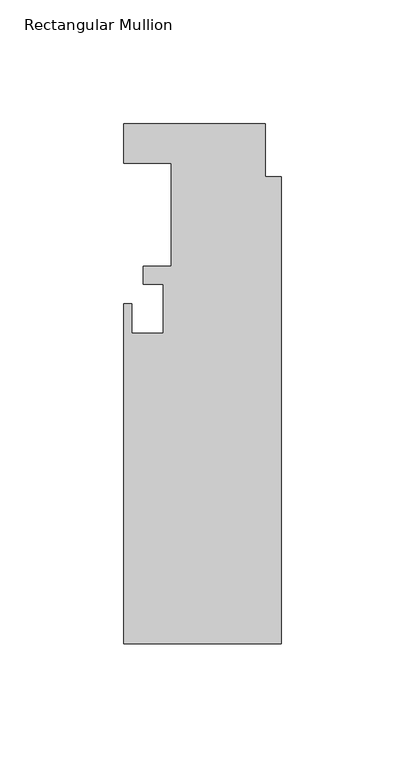
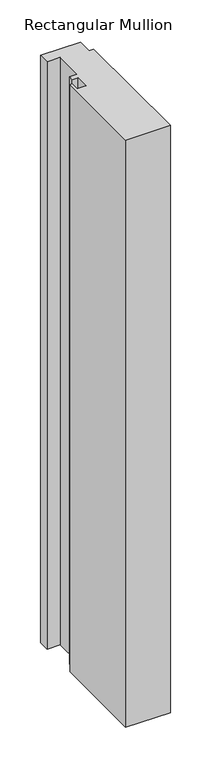
"""IFC4 building model written with IfcOpenShell, lengths in millimetres: member geometry, Rectangular Mullion."""

from ifc_helpers import new_model, si_unit, frame, origin, place, context, project, spatial, polyline, outline, extrude, source, transform, mapped, element, save


def rectangular_mullion_990aca35(model_context):
    return source(origin(), model_context, "Body", "SweptSolid", [
        extrude(outline(polyline([(-63.5, 20.6756), (-6.35, 20.6756), (-6.35, -0.6096), (0.0, -0.6096), (0.0, -189.2554), (-63.5, -189.2554), (-63.5, -51.9176), (-60.325, -51.9176), (-60.325, -63.8302), (-47.625, -63.8302), (-47.625, -44.0182), (-55.5752, -44.0182), (-55.5752, -36.8554), (-44.45, -36.8554), (-44.45, 4.8006), (-63.5, 4.8006), (-63.5, 20.6756)])), frame((0.0, 0.0, -882.5908534), z_axis=(0.0, 0.0, 1.0), x_axis=(1.0, 0.0, 0.0)), (0.0, 0.0, 1.0), 882.5908534),
    ])


if __name__ == "__main__":
    model = new_model("IFC4")
    model_context = context("Model", 3, world=origin())
    ifc_project = project(units=[si_unit("LENGTHUNIT", "METRE", prefix="MILLI")], contexts=[model_context])
    site = spatial("IfcSite", under=ifc_project)
    building = spatial("IfcBuilding", under=site)
    placement = place(None, origin())
    rectangular_mullion_shape = rectangular_mullion_990aca35(model_context)
    element("IfcMember", 1, ObjectType="Rectangular Mullion", at=placement, inside=building, context=model_context, shape_type="MappedRepresentation", body=[
        mapped(rectangular_mullion_shape, transform((0.0, 0.0, 0.0), x_axis=(1.0, 0.0, 0.0), y_axis=(0.0, 1.0, 0.0), z_axis=(0.0, 0.0, 1.0))),
    ])
    save(model, "model.ifc")
